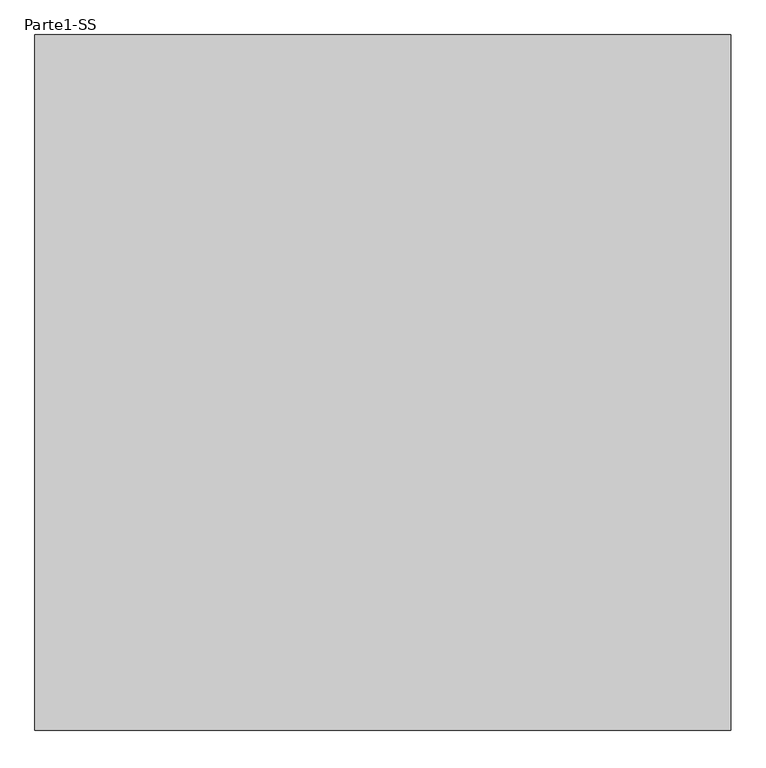
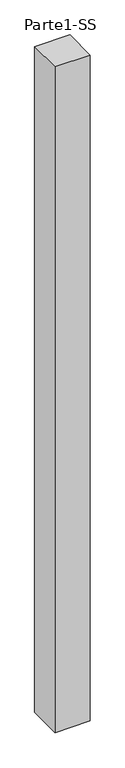
"""IFC4 building model written with IfcOpenShell, lengths in millimetres: proxy geometry, Parte1-SS."""

from ifc_helpers import new_model, si_unit, frame, origin, place, context, project, spatial, polyline, outline, extrude, source, transform, mapped, element, save


def parte1_ss_1f0d18f0(model_context):
    return source(origin(), model_context, "Body", "SweptSolid", [
        extrude(outline(polyline([(2000.0, 2000.0), (2000.0, 0.0), (0.0, 0.0), (0.0, 2000.0), (2000.0, 2000.0)])), frame((0.0, 0.0, 10000.0), z_axis=(0.0, 0.0, 1.0), x_axis=(1.0, 0.0, 0.0)), (0.0, 0.0, 1.0), 40000.0),
    ])


if __name__ == "__main__":
    model = new_model("IFC4")
    model_context = context("Model", 3, world=origin())
    ifc_project = project(units=[si_unit("LENGTHUNIT", "METRE", prefix="MILLI")], contexts=[model_context])
    site = spatial("IfcSite", under=ifc_project)
    building = spatial("IfcBuilding", under=site)
    placement = place(None, origin())
    parte1_ss_shape = parte1_ss_1f0d18f0(model_context)
    element("IfcBuildingElementProxy", 1, Name="Parte1-SS", ObjectType="Parte1-SS", at=placement, inside=building, context=model_context, shape_type="MappedRepresentation", body=[
        mapped(parte1_ss_shape, transform((0.0, 0.0, 0.0), x_axis=(1.0, 0.0, 0.0), y_axis=(0.0, 1.0, 0.0), z_axis=(0.0, 0.0, 1.0))),
    ])
    save(model, "model.ifc")
